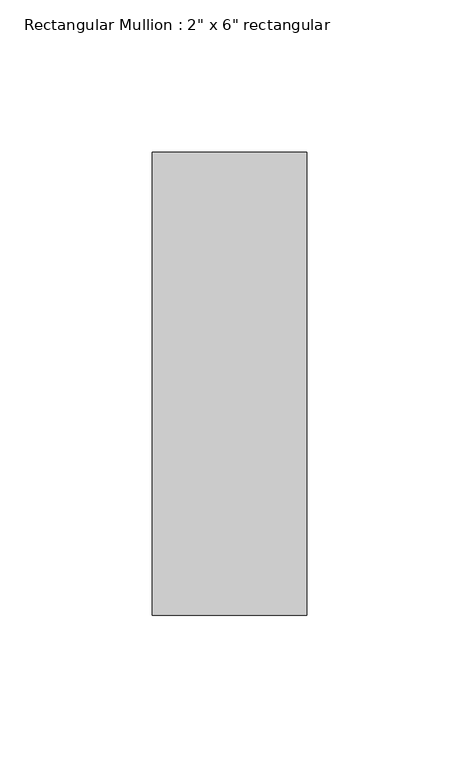
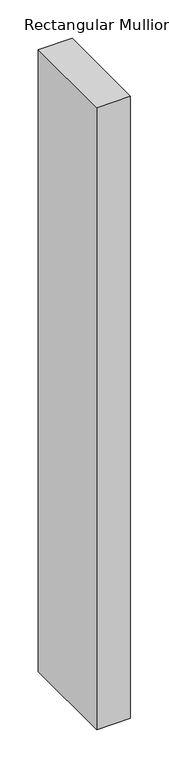
"""IFC4 building model written with IfcOpenShell, lengths in millimetres: member geometry."""

import ifcopenshell
import ifcopenshell.guid

model = None  # the IFC model being written
_history = None  # IfcOwnerHistory: only IFC2X3 demands one
_inside = {}  # id of a spatial element -> (the spatial element, [elements in it])
_under = {}  # id of a project, library or spatial element -> (it, [spatial elements below it])
_declared = {}  # id of a project -> (the project, [libraries it declares])
_typed = {}  # id of a type object -> (the type object, [elements of that type])
_made_of = {}  # id of a material, layer set ... -> (it, [elements and type objects made of it])


def new_model(schema):
    """Start an empty IFC model of exactly this schema.

    Asked for "IFC4X3", IfcOpenShell would pick the latest addendum, in which some entities
    have other attributes; the version numbers below select the first issue.
    IFC2X3 requires an IfcOwnerHistory on every rooted entity: one is made here for all.
    """
    global model, _history
    if schema == "IFC4X3":
        model = ifcopenshell.file(schema_version=(4, 3, 0, 0))
    else:
        model = ifcopenshell.file(schema=schema)
    _inside.clear()
    _under.clear()
    _declared.clear()
    _typed.clear()
    _made_of.clear()
    _history = None
    if model.schema == "IFC2X3":
        org = make("IfcOrganization", Name="unknown")
        user = make(
            "IfcPersonAndOrganization",
            ThePerson=make("IfcPerson", FamilyName="unknown"),
            TheOrganization=org,
        )
        app = make(
            "IfcApplication",
            ApplicationDeveloper=org,
            Version="unknown",
            ApplicationFullName="unknown",
            ApplicationIdentifier="unknown",
        )
        _history = make(
            "IfcOwnerHistory",
            OwningUser=user,
            OwningApplication=app,
            ChangeAction="ADDED",
            CreationDate=0,
        )
    return model


def make(cls, **values):
    """One entity of the class cls with the attributes given. An attribute that is None is left unset."""
    return model.create_entity(
        cls, **{name: value for name, value in values.items() if value is not None}
    )


def rooted(cls, **values):
    """An entity with a GlobalId (a new one), such as an element, a storey or a relation."""
    return make(cls, GlobalId=ifcopenshell.guid.new(), OwnerHistory=_history, **values)


def si_unit(unit_type, name, prefix=None):
    """IfcSIUnit, for example si_unit("LENGTHUNIT", "METRE", prefix="MILLI")."""
    return make("IfcSIUnit", UnitType=unit_type, Prefix=prefix, Name=name)


def assignment(units):
    """IfcUnitAssignment: the units of a project."""
    return None if units is None else make("IfcUnitAssignment", Units=units)


def point(xyz):
    """IfcCartesianPoint."""
    return None if xyz is None else make("IfcCartesianPoint", Coordinates=xyz)


def direction(xyz):
    """IfcDirection."""
    return None if xyz is None else make("IfcDirection", DirectionRatios=xyz)


def frame(location, z_axis=None, x_axis=None):
    """IfcAxis2Placement3D, a coordinate frame: its origin and axes. An axis left out is left unset."""
    return make(
        "IfcAxis2Placement3D",
        Location=point(location),
        Axis=direction(z_axis),
        RefDirection=direction(x_axis),
    )


def origin():
    """The frame at (0, 0, 0) with its axes left unset."""
    return frame((0.0, 0.0, 0.0))


def place(relative_to, where):
    """IfcLocalPlacement: puts the frame where relative to a parent placement (None: the world)."""
    return make(
        "IfcLocalPlacement", PlacementRelTo=relative_to, RelativePlacement=where
    )


def context(
    kind, dimensions, precision=None, world=None, true_north=None, identifier=None
):
    """IfcGeometricRepresentationContext, for example the 3D "Model" context."""
    return make(
        "IfcGeometricRepresentationContext",
        ContextIdentifier=identifier,
        ContextType=kind,
        CoordinateSpaceDimension=dimensions,
        Precision=precision,
        WorldCoordinateSystem=world,
        TrueNorth=true_north,
    )


def project(units=None, contexts=None):
    """IfcProject with its units and contexts."""
    return rooted(
        "IfcProject",
        Name="project",
        RepresentationContexts=contexts,
        UnitsInContext=assignment(units),
    )


def spatial(cls, under=None, at=None, **own):
    """A site, building, storey or space (cls), placed at a placement, below another one or the project."""
    s = rooted(cls, ObjectPlacement=at, **own)
    if under is not None:
        _under.setdefault(under.id(), (under, []))[1].append(s)
    return s


def polyline(points):
    """IfcPolyline through the points."""
    return make("IfcPolyline", Points=[point(p) for p in points])


def outline(outer, holes=None, kind="AREA"):
    """IfcArbitraryClosedProfileDef: a profile drawn as a closed curve; with holes, ...WithVoids."""
    if holes is None:
        return make("IfcArbitraryClosedProfileDef", ProfileType=kind, OuterCurve=outer)
    return make(
        "IfcArbitraryProfileDefWithVoids",
        ProfileType=kind,
        OuterCurve=outer,
        InnerCurves=holes,
    )


def extrude(swept, where, along, depth):
    """IfcExtrudedAreaSolid: the profile swept, set in the frame where, extruded along a direction by depth."""
    return make(
        "IfcExtrudedAreaSolid",
        SweptArea=swept,
        Position=where,
        ExtrudedDirection=direction(along),
        Depth=depth,
    )


def shape(context_of_items, identifier, shape_type, items):
    """IfcShapeRepresentation: the items that make up one representation, for example the "Body"."""
    return make(
        "IfcShapeRepresentation",
        ContextOfItems=context_of_items,
        RepresentationIdentifier=identifier,
        RepresentationType=shape_type,
        Items=items,
    )


def source(mapping_origin, context_of_items, identifier, shape_type, items):
    """IfcRepresentationMap: a shape defined once, which mapped items show again and again."""
    return make(
        "IfcRepresentationMap",
        MappingOrigin=mapping_origin,
        MappedRepresentation=shape(context_of_items, identifier, shape_type, items),
    )


def transform(
    local_origin,
    x_axis=None,
    y_axis=None,
    z_axis=None,
    scale=None,
    scale2=None,
    scale3=None,
    uniform=True,
):
    """IfcCartesianTransformationOperator3D, or its non-uniform kind. x_axis, y_axis, z_axis: its Axis1, 2, 3."""
    if uniform:
        return make(
            "IfcCartesianTransformationOperator3D",
            Axis1=direction(x_axis),
            Axis2=direction(y_axis),
            LocalOrigin=point(local_origin),
            Scale=scale,
            Axis3=direction(z_axis),
        )
    return make(
        "IfcCartesianTransformationOperator3DnonUniform",
        Axis1=direction(x_axis),
        Axis2=direction(y_axis),
        LocalOrigin=point(local_origin),
        Scale=scale,
        Axis3=direction(z_axis),
        Scale2=scale2,
        Scale3=scale3,
    )


def mapped(mapping_source, mapping_target):
    """IfcMappedItem: shows the shape of a source again, moved by a transform."""
    return make(
        "IfcMappedItem", MappingSource=mapping_source, MappingTarget=mapping_target
    )


def made_of(thing, what):
    """Note that an element or type object is made of a material, layer set ...; save() writes the relation."""
    if what is not None:
        _made_of.setdefault(what.id(), (what, []))[1].append(thing)
    return thing


def element(
    cls,
    number,
    at=None,
    inside=None,
    cuts=None,
    type_object=None,
    material=None,
    context=None,
    identifier="Body",
    shape_type=None,
    held_by="IfcProductDefinitionShape",
    body=None,
    shapes=None,
    **own,
):
    """One element of the class cls, such as IfcWall. Its Tag is "e" and its number.

    at: its placement. inside: the storey or other place that contains it. cuts: it is an
    opening in that element (IfcRelVoidsElement). A single representation is given by context,
    identifier, shape_type and body (its items); several are given by shapes. held_by: the class
    of the entity that holds the representations. save() writes the other relations.
    """
    e = rooted(cls, Tag="e%d" % number, ObjectPlacement=at, **own)
    if body is not None:
        shapes = [shape(context, identifier, shape_type, body)]
    if shapes is not None:
        e.Representation = make(held_by, Representations=shapes)
    if inside is not None:
        _inside.setdefault(inside.id(), (inside, []))[1].append(e)
    if cuts is not None:
        rooted(
            "IfcRelVoidsElement", RelatingBuildingElement=cuts, RelatedOpeningElement=e
        )
    if type_object is not None:
        _typed.setdefault(type_object.id(), (type_object, []))[1].append(e)
    return made_of(e, material)


def aggregate(whole, parts):
    """IfcRelAggregates: a whole, such as a stair, and the parts it consists of."""
    return rooted("IfcRelAggregates", RelatingObject=whole, RelatedObjects=parts)


def save(model, path):
    """Write the relations noted so far, then the file.

    IfcRelAggregates (storeys below a building ...), IfcRelContainedInSpatialStructure (elements
    in a storey), IfcRelDefinesByType, IfcRelAssociatesMaterial and IfcRelDeclares: one each for
    every whole, place, type object, material and project.
    """
    for whole, parts in _under.values():
        aggregate(whole, parts)
    for where, things in _inside.values():
        rooted(
            "IfcRelContainedInSpatialStructure",
            RelatedElements=things,
            RelatingStructure=where,
        )
    for kind, things in _typed.values():
        rooted("IfcRelDefinesByType", RelatedObjects=things, RelatingType=kind)
    for what, things in _made_of.values():
        rooted("IfcRelAssociatesMaterial", RelatedObjects=things, RelatingMaterial=what)
    for by, libraries in _declared.values():
        rooted("IfcRelDeclares", RelatingContext=by, RelatedDefinitions=libraries)
    model.write(path)


def member_44037bed(model_context):
    return source(origin(), model_context, "Body", "SweptSolid", [
        extrude(outline(polyline([(25.4, 76.2), (25.4, -76.2), (-25.4, -76.2), (-25.4, 76.2), (25.4, 76.2)])), frame((0.0, 0.0, -990.6), z_axis=(0.0, 0.0, 1.0), x_axis=(1.0, 0.0, 0.0)), (0.0, 0.0, 1.0), 990.6),
    ])


if __name__ == "__main__":
    model = new_model("IFC4")
    model_context = context("Model", 3, world=origin())
    ifc_project = project(units=[si_unit("LENGTHUNIT", "METRE", prefix="MILLI")], contexts=[model_context])
    site = spatial("IfcSite", under=ifc_project)
    building = spatial("IfcBuilding", under=site)
    placement = place(None, origin())
    member_shape = member_44037bed(model_context)
    element("IfcMember", 1, ObjectType="Rectangular Mullion : 2\" x 6\" rectangular", at=placement, inside=building, context=model_context, shape_type="MappedRepresentation", body=[
        mapped(member_shape, transform((0.0, 0.0, 0.0), x_axis=(1.0, 0.0, 0.0), y_axis=(0.0, 1.0, 0.0), z_axis=(0.0, 0.0, 1.0))),
    ])
    save(model, "model.ifc")
